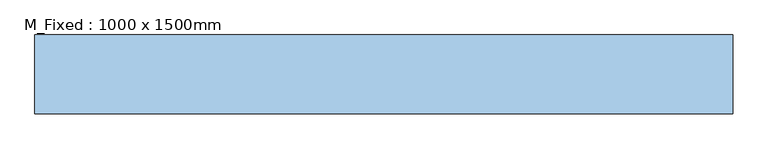
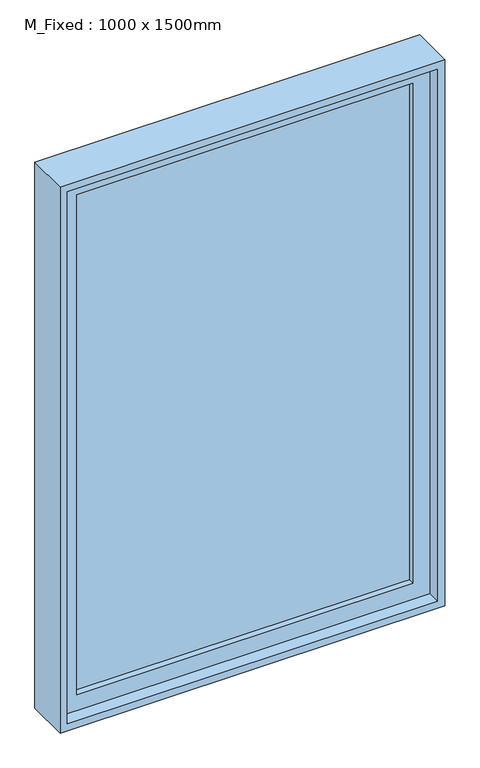
"""IFC4 building model written with IfcOpenShell, lengths in millimetres: window geometry, M_Fixed : 1000 x 1500mm."""

from ifc_helpers import new_model, si_unit, frame, origin, place, context, project, spatial, polyline, outline, extrude, source, transform, mapped, element, save


def m_fixed_1000_x_1500mm_9ee7c314(model_context):
    return source(origin(), model_context, "Body", "SweptSolid", [
        extrude(outline(polyline([(-437.0, 9.0), (437.0, 9.0), (437.0, -3.0), (-437.0, -3.0), (-437.0, 9.0)])), frame((0.0, 0.0, 978.0), z_axis=(0.0, 0.0, 1.0), x_axis=(1.0, 0.0, 0.0)), (0.0, 0.0, 1.0), 1374.0),
        extrude(outline(polyline([(2396.0, -481.0), (934.0, -481.0), (934.0, 481.0), (2396.0, 481.0), (2396.0, -481.0)]), holes=[polyline([(2352.0, -437.0), (2352.0, 437.0), (978.0, 437.0), (978.0, -437.0), (2352.0, -437.0)])]), frame((0.0, -19.0, 0.0), z_axis=(0.0, 1.0, 0.0), x_axis=(0.0, 0.0, 1.0)), (0.0, 0.0, 1.0), 44.0),
        extrude(outline(polyline([(2415.0, -500.0), (915.0, -500.0), (915.0, 500.0), (2415.0, 500.0), (2415.0, -500.0)]), holes=[polyline([(2396.0, -481.0), (2396.0, 481.0), (934.0, 481.0), (934.0, -481.0), (2396.0, -481.0)])]), frame((0.0, -53.5, 0.0), z_axis=(0.0, 1.0, 0.0), x_axis=(0.0, 0.0, 1.0)), (0.0, 0.0, 1.0), 113.0),
    ])


if __name__ == "__main__":
    model = new_model("IFC4")
    model_context = context("Model", 3, world=origin())
    ifc_project = project(units=[si_unit("LENGTHUNIT", "METRE", prefix="MILLI")], contexts=[model_context])
    site = spatial("IfcSite", under=ifc_project)
    building = spatial("IfcBuilding", under=site)
    placement = place(None, origin())
    m_fixed_1000_x_1500mm_shape = m_fixed_1000_x_1500mm_9ee7c314(model_context)
    element("IfcWindow", 1, ObjectType="M_Fixed : 1000 x 1500mm", at=placement, inside=building, context=model_context, shape_type="MappedRepresentation", body=[
        mapped(m_fixed_1000_x_1500mm_shape, transform((0.0, 0.0, 0.0), x_axis=(1.0, 0.0, 0.0), y_axis=(0.0, 1.0, 0.0), z_axis=(0.0, 0.0, 1.0))),
    ])
    save(model, "model.ifc")
